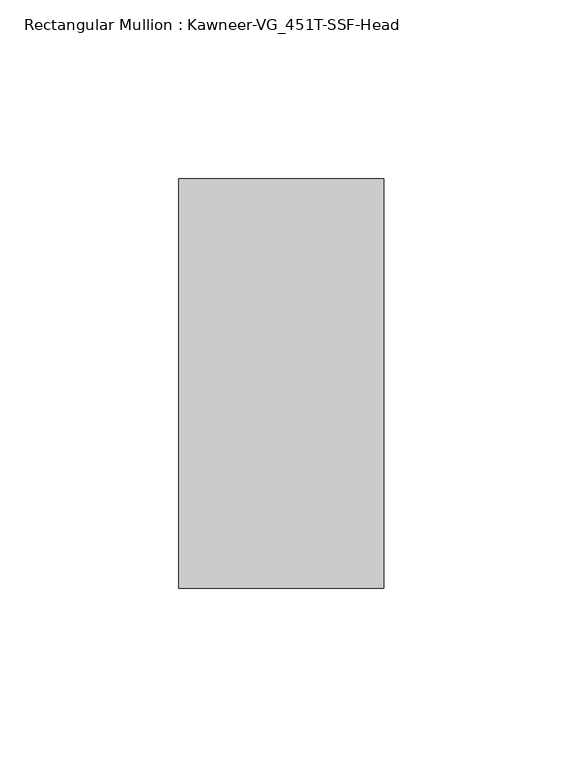
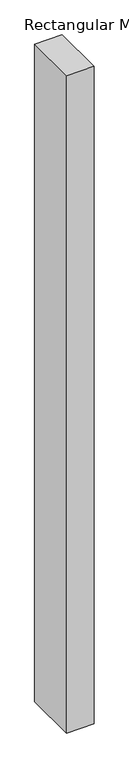
"""IFC4 building model written with IfcOpenShell, lengths in millimetres: member geometry, Rectangular Mullion : Kawneer-VG_451T-SSF-Head."""

from ifc_helpers import new_model, si_unit, frame, origin, place, context, project, spatial, polyline, outline, extrude, source, transform, mapped, element, save


def rectangular_mullion_kawneer_vg_451t_ssf_head_cba95f74(model_context):
    return source(origin(), model_context, "Body", "SweptSolid", [
        extrude(outline(polyline([(-57.15, -57.15), (-57.15, 57.15), (0.0, 57.15), (0.0, -57.15), (-57.15, -57.15)])), frame((0.0, 0.0, -1443.0375), z_axis=(0.0, 0.0, 1.0), x_axis=(1.0, 0.0, 0.0)), (0.0, 0.0, 1.0), 1443.0375),
    ])


if __name__ == "__main__":
    model = new_model("IFC4")
    model_context = context("Model", 3, world=origin())
    ifc_project = project(units=[si_unit("LENGTHUNIT", "METRE", prefix="MILLI")], contexts=[model_context])
    site = spatial("IfcSite", under=ifc_project)
    building = spatial("IfcBuilding", under=site)
    placement = place(None, origin())
    rectangular_mullion_kawneer_vg_451t_ssf_head_shape = rectangular_mullion_kawneer_vg_451t_ssf_head_cba95f74(model_context)
    element("IfcMember", 1, ObjectType="Rectangular Mullion : Kawneer-VG_451T-SSF-Head", at=placement, inside=building, context=model_context, shape_type="MappedRepresentation", body=[
        mapped(rectangular_mullion_kawneer_vg_451t_ssf_head_shape, transform((0.0, 0.0, 0.0), x_axis=(1.0, 0.0, 0.0), y_axis=(0.0, 1.0, 0.0), z_axis=(0.0, 0.0, 1.0))),
    ])
    save(model, "model.ifc")
